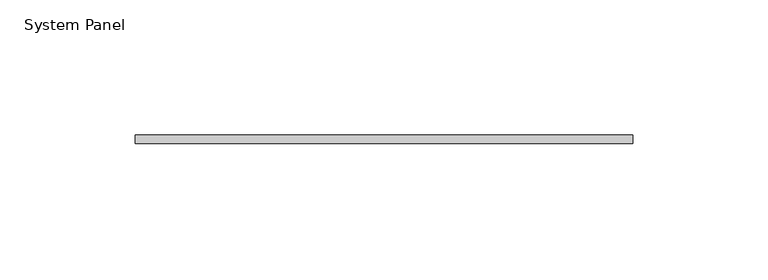
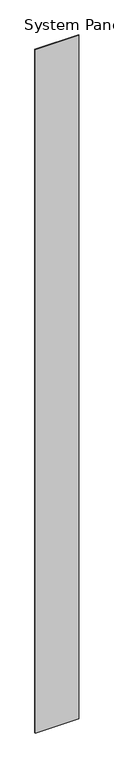
"""IFC4 building model written with IfcOpenShell, lengths in millimetres: plate geometry, System Panel."""

from ifc_helpers import new_model, si_unit, origin, origin_with_axes, place, context, project, spatial, polyline, outline, extrude, source, transform, mapped, element, save


def system_panel_5aafcabb(model_context):
    return source(origin(), model_context, "Body", "SweptSolid", [
        extrude(outline(polyline([(92.075, -8.73125), (-92.075, -8.73125), (-92.075, -5.55625), (92.075, -5.55625), (92.075, -8.73125)])), origin_with_axes(), (0.0, 0.0, 1.0), 3048.0),
    ])


if __name__ == "__main__":
    model = new_model("IFC4")
    model_context = context("Model", 3, world=origin())
    ifc_project = project(units=[si_unit("LENGTHUNIT", "METRE", prefix="MILLI")], contexts=[model_context])
    site = spatial("IfcSite", under=ifc_project)
    building = spatial("IfcBuilding", under=site)
    placement = place(None, origin())
    system_panel_shape = system_panel_5aafcabb(model_context)
    element("IfcPlate", 1, ObjectType="System Panel", at=placement, inside=building, context=model_context, shape_type="MappedRepresentation", body=[
        mapped(system_panel_shape, transform((0.0, 0.0, 0.0), x_axis=(1.0, 0.0, 0.0), y_axis=(0.0, 1.0, 0.0), z_axis=(0.0, 0.0, 1.0))),
    ])
    save(model, "model.ifc")
